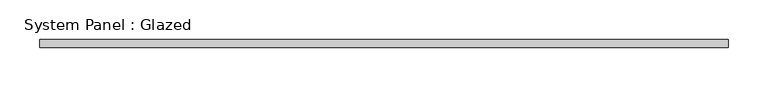
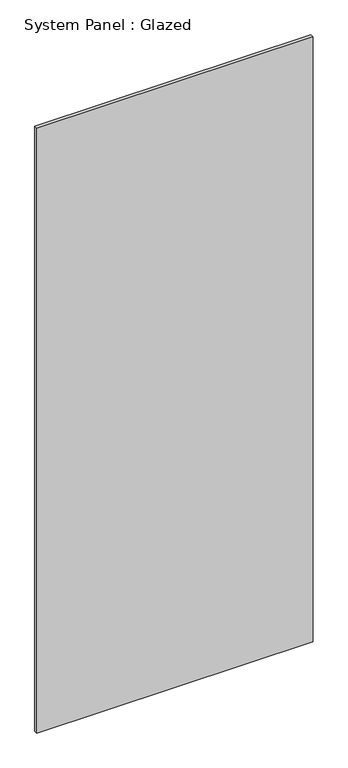
"""IFC4 building model written with IfcOpenShell, lengths in millimetres: plate geometry, System Panel : Glazed."""

from ifc_helpers import new_model, si_unit, origin, origin_with_axes, place, context, project, spatial, polyline, outline, extrude, source, transform, mapped, element, save


def system_panel_glazed_73ee1e18(model_context):
    return source(origin(), model_context, "Body", "SweptSolid", [
        extrude(outline(polyline([(431.44275, -5.0), (-431.44275, -5.0), (-431.44275, 5.0), (431.44275, 5.0), (431.44275, -5.0)])), origin_with_axes(), (0.0, 0.0, 1.0), 1995.0),
    ])


if __name__ == "__main__":
    model = new_model("IFC4")
    model_context = context("Model", 3, world=origin())
    ifc_project = project(units=[si_unit("LENGTHUNIT", "METRE", prefix="MILLI")], contexts=[model_context])
    site = spatial("IfcSite", under=ifc_project)
    building = spatial("IfcBuilding", under=site)
    placement = place(None, origin())
    system_panel_glazed_shape = system_panel_glazed_73ee1e18(model_context)
    element("IfcPlate", 1, ObjectType="System Panel : Glazed", at=placement, inside=building, context=model_context, shape_type="MappedRepresentation", body=[
        mapped(system_panel_glazed_shape, transform((0.0, 0.0, 0.0), x_axis=(1.0, 0.0, 0.0), y_axis=(0.0, 1.0, 0.0), z_axis=(0.0, 0.0, 1.0))),
    ])
    save(model, "model.ifc")
